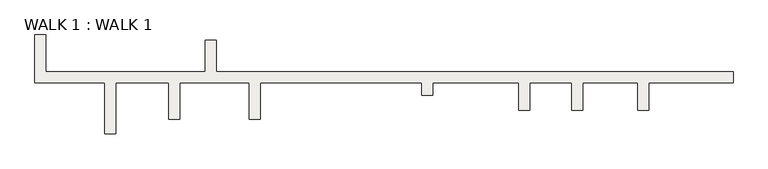
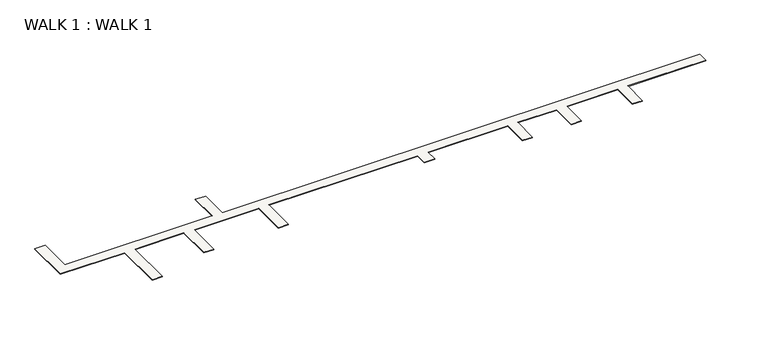
"""IFC4 building model written with IfcOpenShell, lengths in millimetres: slab geometry, WALK 1 : WALK 1."""

from ifc_helpers import new_model, si_unit, frame, origin, place, context, project, spatial, polyline, outline, extrude, source, transform, mapped, element, save


def walk_1_walk_1_abc8c97f(model_context):
    return source(origin(), model_context, "Body", "SweptSolid", [
        extrude(outline(polyline([(-42927.5440345, 19552.440365), (-42927.5440345, 23514.840365), (-42013.1440345, 23514.840365), (-42013.1440345, 20466.840365), (-28754.3440345, 20466.840365), (-28754.3440345, 23057.640365), (-27839.9440345, 23057.640365), (-27839.9440345, 20466.840365), (15136.8559655, 20466.840365), (15136.8559655, 19552.440365), (8126.4559655, 19552.440365), (8126.4559655, 17266.440365), (7212.0559655, 17266.440365), (7212.0559655, 19552.440365), (2640.0559655, 19552.440365), (2640.0559655, 17266.440365), (1725.6559655, 17266.440365), (1725.6559655, 19552.440365), (-1779.5440345, 19552.440365), (-1779.5440345, 17266.440365), (-2693.9440345, 17266.440365), (-2693.9440345, 19552.440365), (-9856.7440345, 19552.440365), (-9856.7440345, 18511.040365), (-10771.1440345, 18511.040365), (-10771.1440345, 19552.440365), (-24182.3440345, 19552.440365), (-24182.3440345, 16504.440365), (-25096.7440345, 16504.440365), (-25096.7440345, 19552.440365), (-30887.9440345, 19552.440365), (-30887.9440345, 16504.440365), (-31802.3440345, 16504.440365), (-31802.3440345, 19552.440365), (-36221.9440345, 19552.440365), (-36221.9440345, 15285.240365), (-37136.3440345, 15285.240365), (-37136.3440345, 19552.440365), (-42927.5440345, 19552.440365)])), frame((0.0, 0.0, 3810.0), z_axis=(0.0, 0.0, 1.0), x_axis=(1.0, 0.0, 0.0)), (0.0, 0.0, 1.0), 50.8),
    ])


if __name__ == "__main__":
    model = new_model("IFC4")
    model_context = context("Model", 3, world=origin())
    ifc_project = project(units=[si_unit("LENGTHUNIT", "METRE", prefix="MILLI")], contexts=[model_context])
    site = spatial("IfcSite", under=ifc_project)
    building = spatial("IfcBuilding", under=site)
    placement = place(None, origin())
    walk_1_walk_1_shape = walk_1_walk_1_abc8c97f(model_context)
    element("IfcSlab", 1, ObjectType="WALK 1 : WALK 1", at=placement, inside=building, context=model_context, shape_type="MappedRepresentation", body=[
        mapped(walk_1_walk_1_shape, transform((0.0, 0.0, 0.0), x_axis=(1.0, 0.0, 0.0), y_axis=(0.0, 1.0, 0.0), z_axis=(0.0, 0.0, 1.0))),
    ])
    save(model, "model.ifc")
